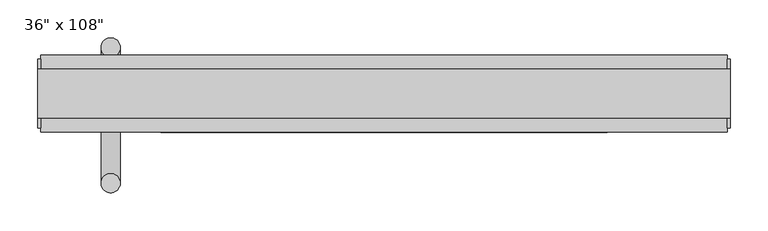
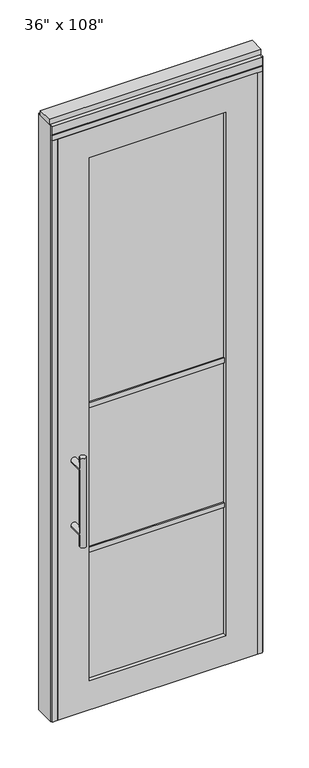
"""IFC4 building model written with IfcOpenShell, lengths in millimetres: furniture geometry."""

import ifcopenshell
import ifcopenshell.guid

model = None  # the IFC model being written
_history = None  # IfcOwnerHistory: only IFC2X3 demands one
_inside = {}  # id of a spatial element -> (the spatial element, [elements in it])
_under = {}  # id of a project, library or spatial element -> (it, [spatial elements below it])
_declared = {}  # id of a project -> (the project, [libraries it declares])
_typed = {}  # id of a type object -> (the type object, [elements of that type])
_made_of = {}  # id of a material, layer set ... -> (it, [elements and type objects made of it])


def new_model(schema):
    """Start an empty IFC model of exactly this schema.

    Asked for "IFC4X3", IfcOpenShell would pick the latest addendum, in which some entities
    have other attributes; the version numbers below select the first issue.
    IFC2X3 requires an IfcOwnerHistory on every rooted entity: one is made here for all.
    """
    global model, _history
    if schema == "IFC4X3":
        model = ifcopenshell.file(schema_version=(4, 3, 0, 0))
    else:
        model = ifcopenshell.file(schema=schema)
    _inside.clear()
    _under.clear()
    _declared.clear()
    _typed.clear()
    _made_of.clear()
    _history = None
    if model.schema == "IFC2X3":
        org = make("IfcOrganization", Name="unknown")
        user = make(
            "IfcPersonAndOrganization",
            ThePerson=make("IfcPerson", FamilyName="unknown"),
            TheOrganization=org,
        )
        app = make(
            "IfcApplication",
            ApplicationDeveloper=org,
            Version="unknown",
            ApplicationFullName="unknown",
            ApplicationIdentifier="unknown",
        )
        _history = make(
            "IfcOwnerHistory",
            OwningUser=user,
            OwningApplication=app,
            ChangeAction="ADDED",
            CreationDate=0,
        )
    return model


def make(cls, **values):
    """One entity of the class cls with the attributes given. An attribute that is None is left unset."""
    return model.create_entity(
        cls, **{name: value for name, value in values.items() if value is not None}
    )


def rooted(cls, **values):
    """An entity with a GlobalId (a new one), such as an element, a storey or a relation."""
    return make(cls, GlobalId=ifcopenshell.guid.new(), OwnerHistory=_history, **values)


def si_unit(unit_type, name, prefix=None):
    """IfcSIUnit, for example si_unit("LENGTHUNIT", "METRE", prefix="MILLI")."""
    return make("IfcSIUnit", UnitType=unit_type, Prefix=prefix, Name=name)


def assignment(units):
    """IfcUnitAssignment: the units of a project."""
    return None if units is None else make("IfcUnitAssignment", Units=units)


def point(xyz):
    """IfcCartesianPoint."""
    return None if xyz is None else make("IfcCartesianPoint", Coordinates=xyz)


def direction(xyz):
    """IfcDirection."""
    return None if xyz is None else make("IfcDirection", DirectionRatios=xyz)


def frame(location, z_axis=None, x_axis=None):
    """IfcAxis2Placement3D, a coordinate frame: its origin and axes. An axis left out is left unset."""
    return make(
        "IfcAxis2Placement3D",
        Location=point(location),
        Axis=direction(z_axis),
        RefDirection=direction(x_axis),
    )


def origin():
    """The frame at (0, 0, 0) with its axes left unset."""
    return frame((0.0, 0.0, 0.0))


def origin_with_axes():
    """The frame at (0, 0, 0) with the z axis (0, 0, 1) and the x axis (1, 0, 0) written out."""
    return frame((0.0, 0.0, 0.0), z_axis=(0.0, 0.0, 1.0), x_axis=(1.0, 0.0, 0.0))


def place(relative_to, where):
    """IfcLocalPlacement: puts the frame where relative to a parent placement (None: the world)."""
    return make(
        "IfcLocalPlacement", PlacementRelTo=relative_to, RelativePlacement=where
    )


def context(
    kind, dimensions, precision=None, world=None, true_north=None, identifier=None
):
    """IfcGeometricRepresentationContext, for example the 3D "Model" context."""
    return make(
        "IfcGeometricRepresentationContext",
        ContextIdentifier=identifier,
        ContextType=kind,
        CoordinateSpaceDimension=dimensions,
        Precision=precision,
        WorldCoordinateSystem=world,
        TrueNorth=true_north,
    )


def project(units=None, contexts=None):
    """IfcProject with its units and contexts."""
    return rooted(
        "IfcProject",
        Name="project",
        RepresentationContexts=contexts,
        UnitsInContext=assignment(units),
    )


def spatial(cls, under=None, at=None, **own):
    """A site, building, storey or space (cls), placed at a placement, below another one or the project."""
    s = rooted(cls, ObjectPlacement=at, **own)
    if under is not None:
        _under.setdefault(under.id(), (under, []))[1].append(s)
    return s


def polyline(points):
    """IfcPolyline through the points."""
    return make("IfcPolyline", Points=[point(p) for p in points])


def circle_curve(where, radius):
    """IfcCircle in the frame where."""
    return make("IfcCircle", Position=where, Radius=radius)


def ellipse_curve(where, semi_axis1, semi_axis2):
    """IfcEllipse in the frame where."""
    return make(
        "IfcEllipse", Position=where, SemiAxis1=semi_axis1, SemiAxis2=semi_axis2
    )


def outline(outer, holes=None, kind="AREA"):
    """IfcArbitraryClosedProfileDef: a profile drawn as a closed curve; with holes, ...WithVoids."""
    if holes is None:
        return make("IfcArbitraryClosedProfileDef", ProfileType=kind, OuterCurve=outer)
    return make(
        "IfcArbitraryProfileDefWithVoids",
        ProfileType=kind,
        OuterCurve=outer,
        InnerCurves=holes,
    )


def extrude(swept, where, along, depth):
    """IfcExtrudedAreaSolid: the profile swept, set in the frame where, extruded along a direction by depth."""
    return make(
        "IfcExtrudedAreaSolid",
        SweptArea=swept,
        Position=where,
        ExtrudedDirection=direction(along),
        Depth=depth,
    )


def shape(context_of_items, identifier, shape_type, items):
    """IfcShapeRepresentation: the items that make up one representation, for example the "Body"."""
    return make(
        "IfcShapeRepresentation",
        ContextOfItems=context_of_items,
        RepresentationIdentifier=identifier,
        RepresentationType=shape_type,
        Items=items,
    )


def source(mapping_origin, context_of_items, identifier, shape_type, items):
    """IfcRepresentationMap: a shape defined once, which mapped items show again and again."""
    return make(
        "IfcRepresentationMap",
        MappingOrigin=mapping_origin,
        MappedRepresentation=shape(context_of_items, identifier, shape_type, items),
    )


def transform(
    local_origin,
    x_axis=None,
    y_axis=None,
    z_axis=None,
    scale=None,
    scale2=None,
    scale3=None,
    uniform=True,
):
    """IfcCartesianTransformationOperator3D, or its non-uniform kind. x_axis, y_axis, z_axis: its Axis1, 2, 3."""
    if uniform:
        return make(
            "IfcCartesianTransformationOperator3D",
            Axis1=direction(x_axis),
            Axis2=direction(y_axis),
            LocalOrigin=point(local_origin),
            Scale=scale,
            Axis3=direction(z_axis),
        )
    return make(
        "IfcCartesianTransformationOperator3DnonUniform",
        Axis1=direction(x_axis),
        Axis2=direction(y_axis),
        LocalOrigin=point(local_origin),
        Scale=scale,
        Axis3=direction(z_axis),
        Scale2=scale2,
        Scale3=scale3,
    )


def mapped(mapping_source, mapping_target):
    """IfcMappedItem: shows the shape of a source again, moved by a transform."""
    return make(
        "IfcMappedItem", MappingSource=mapping_source, MappingTarget=mapping_target
    )


def made_of(thing, what):
    """Note that an element or type object is made of a material, layer set ...; save() writes the relation."""
    if what is not None:
        _made_of.setdefault(what.id(), (what, []))[1].append(thing)
    return thing


def element(
    cls,
    number,
    at=None,
    inside=None,
    cuts=None,
    type_object=None,
    material=None,
    context=None,
    identifier="Body",
    shape_type=None,
    held_by="IfcProductDefinitionShape",
    body=None,
    shapes=None,
    **own,
):
    """One element of the class cls, such as IfcWall. Its Tag is "e" and its number.

    at: its placement. inside: the storey or other place that contains it. cuts: it is an
    opening in that element (IfcRelVoidsElement). A single representation is given by context,
    identifier, shape_type and body (its items); several are given by shapes. held_by: the class
    of the entity that holds the representations. save() writes the other relations.
    """
    e = rooted(cls, Tag="e%d" % number, ObjectPlacement=at, **own)
    if body is not None:
        shapes = [shape(context, identifier, shape_type, body)]
    if shapes is not None:
        e.Representation = make(held_by, Representations=shapes)
    if inside is not None:
        _inside.setdefault(inside.id(), (inside, []))[1].append(e)
    if cuts is not None:
        rooted(
            "IfcRelVoidsElement", RelatingBuildingElement=cuts, RelatedOpeningElement=e
        )
    if type_object is not None:
        _typed.setdefault(type_object.id(), (type_object, []))[1].append(e)
    return made_of(e, material)


def aggregate(whole, parts):
    """IfcRelAggregates: a whole, such as a stair, and the parts it consists of."""
    return rooted("IfcRelAggregates", RelatingObject=whole, RelatedObjects=parts)


def save(model, path):
    """Write the relations noted so far, then the file.

    IfcRelAggregates (storeys below a building ...), IfcRelContainedInSpatialStructure (elements
    in a storey), IfcRelDefinesByType, IfcRelAssociatesMaterial and IfcRelDeclares: one each for
    every whole, place, type object, material and project.
    """
    for whole, parts in _under.values():
        aggregate(whole, parts)
    for where, things in _inside.values():
        rooted(
            "IfcRelContainedInSpatialStructure",
            RelatedElements=things,
            RelatingStructure=where,
        )
    for kind, things in _typed.values():
        rooted("IfcRelDefinesByType", RelatedObjects=things, RelatingType=kind)
    for what, things in _made_of.values():
        rooted("IfcRelAssociatesMaterial", RelatedObjects=things, RelatingMaterial=what)
    for by, libraries in _declared.values():
        rooted("IfcRelDeclares", RelatingContext=by, RelatedDefinitions=libraries)
    model.write(path)


def plane_surface(at):
    """IfcPlane: the flat surface through the origin of the frame at, square to its z axis."""
    return make("IfcPlane", Position=at)


def cylinder_surface(at, radius):
    """IfcCylindricalSurface: all points at the distance radius from the z axis of the frame at."""
    return make("IfcCylindricalSurface", Position=at, Radius=radius)


def advanced_brep(points, edges, surfaces, faces):
    """IfcAdvancedBrep: a solid bounded by faces that lie on surfaces and meet in shared edges.

    An edge is (start, end): straight between two places in points (the first is 0);
    or (start, end, curve); or (start, end, curve, False) where it runs against its curve.
    A face is (place in surfaces, loops), or (place, loops, False) where it looks against
    its surface's normal. A loop lists edges by number (the first is 1), with a minus sign
    where the edge is run from its end to its start. The first loop is the outer one.
    """
    corners = [point(p) for p in points]
    vertices = [make("IfcVertexPoint", VertexGeometry=c) for c in corners]
    made = []
    for start, end, *more in edges:
        made.append(
            make(
                "IfcEdgeCurve",
                EdgeStart=vertices[start],
                EdgeEnd=vertices[end],
                EdgeGeometry=more[0] if more else make("IfcPolyline", Points=[corners[start], corners[end]]),
                SameSense=more[1] if len(more) > 1 else True,
            )
        )
    hull = []
    for where, loops, *sense in faces:
        bounds = []
        for j, loop in enumerate(loops):
            ring = [make("IfcOrientedEdge", EdgeElement=made[abs(k) - 1], Orientation=k > 0) for k in loop]
            bounds.append(
                make(
                    "IfcFaceOuterBound" if j == 0 else "IfcFaceBound",
                    Bound=make("IfcEdgeLoop", EdgeList=ring),
                    Orientation=True,
                )
            )
        hull.append(make("IfcAdvancedFace", Bounds=bounds, FaceSurface=surfaces[where], SameSense=sense[0] if sense else True))
    return make("IfcAdvancedBrep", Outer=make("IfcClosedShell", CfsFaces=hull))


def furniture_f2ce9480(model_context):
    return source(origin(), model_context, "Body", "SolidModel", [
        advanced_brep(
        [(-433.7975229, 56.6962784, 1219.2), (-408.3975229, 56.6962784, 1219.2), (-433.7975229, 56.6962784, 812.8), (-408.3975229, 56.6962784, 812.8), (-408.3975229, 56.6962784, 1164.336), (-408.3975229, 56.6962784, 867.664), (-433.7975229, 56.6962784, 867.664), (-433.7975229, 56.6962784, 1164.336), (-433.7975229, -10.8677216, 1164.336), (-408.3975229, -10.8677216, 1164.336), (-433.7975229, -10.8677216, 867.664), (-408.3975229, -10.8677216, 867.664)],
        [
            (0, 1, circle_curve(frame((-421.0975229, 56.6962784, 1219.2), z_axis=(0.0, 0.0, 1.0), x_axis=(1.0, 0.0, 0.0)), 12.7)),
            (1, 0, circle_curve(frame((-421.0975229, 56.6962784, 1219.2), z_axis=(0.0, 0.0, 1.0), x_axis=(1.0, 0.0, 0.0)), 12.7)),
            (2, 3, circle_curve(frame((-421.0975229, 56.6962784, 812.8), z_axis=(0.0, 0.0, -1.0), x_axis=(1.0, 0.0, 0.0)), 12.7)),
            (3, 2, circle_curve(frame((-421.0975229, 56.6962784, 812.8), z_axis=(0.0, 0.0, -1.0), x_axis=(1.0, 0.0, 0.0)), 12.7)),
            (1, 4),
            (4, 5),
            (5, 3),
            (2, 6),
            (6, 7),
            (7, 0),
            (6, 5, ellipse_curve(frame((-421.0975229, 56.6962784, 867.664), z_axis=(0.0, 0.707106781186565, 0.70710678118653), x_axis=(0.0, -0.70710678118653, 0.707106781186565)), 17.9605122, 12.7)),
            (4, 7, ellipse_curve(frame((-421.0975229, 56.6962784, 1164.336), z_axis=(0.0, 0.70710678118653, -0.7071067811865649), x_axis=(0.0, 0.7071067811865648, 0.7071067811865301)), 17.9605122, 12.7)),
            (7, 4, ellipse_curve(frame((-421.0975229, 56.6962784, 1164.336), z_axis=(0.0, 0.707106781186565, 0.70710678118653), x_axis=(0.0, -0.70710678118653, 0.707106781186565)), 17.9605122, 12.7)),
            (5, 6, ellipse_curve(frame((-421.0975229, 56.6962784, 867.664), z_axis=(0.0, 0.70710678118653, -0.7071067811865649), x_axis=(0.0, 0.7071067811865648, 0.7071067811865301)), 17.9605122, 12.7)),
            (8, 9, circle_curve(frame((-421.0975229, -10.8677216, 1164.336), z_axis=(0.0, -1.0, 0.0), x_axis=(1.0, 0.0, 0.0)), 12.7)),
            (9, 8, circle_curve(frame((-421.0975229, -10.8677216, 1164.336), z_axis=(0.0, -1.0, 0.0), x_axis=(1.0, 0.0, 0.0)), 12.7)),
            (8, 7),
            (4, 9),
            (10, 11, circle_curve(frame((-421.0975229, -10.8677216, 867.664), z_axis=(0.0, -1.0, 0.0), x_axis=(1.0, 0.0, 0.0)), 12.7)),
            (11, 10, circle_curve(frame((-421.0975229, -10.8677216, 867.664), z_axis=(0.0, -1.0, 0.0), x_axis=(1.0, 0.0, 0.0)), 12.7)),
            (10, 6),
            (5, 11),
        ],
        [
            plane_surface(frame((-408.3975229, 56.6962784, 1219.2), z_axis=(0.0, 0.0, 1.0), x_axis=(0.0, -1.0, 0.0))),
            plane_surface(frame((-408.3975229, 56.6962784, 812.8), z_axis=(0.0, 0.0, -1.0), x_axis=(0.0, 1.0, 0.0))),
            cylinder_surface(frame((-421.0975229, 56.6962784, 812.8), z_axis=(0.0, 0.0, 1.0), x_axis=(1.0, 0.0, 0.0)), 12.7),
            plane_surface(frame((-408.3975229, -10.8677216, 1164.336), z_axis=(0.0, -1.0, 0.0), x_axis=(0.0, 0.0, -1.0))),
            cylinder_surface(frame((-421.0975229, -10.8677216, 1164.336), z_axis=(0.0, 1.0, 0.0), x_axis=(1.0, 0.0, 0.0)), 12.7),
            plane_surface(frame((-408.3975229, -10.8677216, 867.664), z_axis=(0.0, -1.0, 0.0), x_axis=(0.0, 0.0, -1.0))),
            cylinder_surface(frame((-421.0975229, -10.8677216, 867.664), z_axis=(0.0, 1.0, 0.0), x_axis=(1.0, 0.0, 0.0)), 12.7),
        ],
        [
            (0, [[1, 2]]),
            (1, [[3, 4]]),
            (2, [[5, 6, 7, -3, 8, 9, 10, -2]]),
            (2, [[-9, 11, -6, 12]]),
            (2, [[-10, 13, -5, -1]]),
            (2, [[-7, 14, -8, -4]]),
            (3, [[15, 16]]),
            (4, [[17, -12, 18, -15]]),
            (4, [[-18, -13, -17, -16]]),
            (5, [[19, 20]]),
            (6, [[21, -14, 22, -19]]),
            (6, [[-22, -11, -21, -20]]),
        ],
    ),
        advanced_brep(
        [(-433.7975229, -122.8817216, 1219.2), (-408.3975229, -122.8817216, 1219.2), (-433.7975229, -122.8817216, 812.8), (-408.3975229, -122.8817216, 812.8), (-433.7975229, -122.8817216, 1164.336), (-433.7975229, -122.8817216, 867.664), (-408.3975229, -122.8817216, 867.664), (-408.3975229, -122.8817216, 1164.336), (-433.7975229, -55.3177216, 1164.336), (-408.3975229, -55.3177216, 1164.336), (-433.7975229, -55.3177216, 867.664), (-408.3975229, -55.3177216, 867.664)],
        [
            (0, 1, circle_curve(frame((-421.0975229, -122.8817216, 1219.2), z_axis=(0.0, 0.0, 1.0), x_axis=(1.0, 0.0, 0.0)), 12.7)),
            (1, 0, circle_curve(frame((-421.0975229, -122.8817216, 1219.2), z_axis=(0.0, 0.0, 1.0), x_axis=(1.0, 0.0, 0.0)), 12.7)),
            (2, 3, circle_curve(frame((-421.0975229, -122.8817216, 812.8), z_axis=(0.0, 0.0, -1.0), x_axis=(1.0, 0.0, 0.0)), 12.7)),
            (3, 2, circle_curve(frame((-421.0975229, -122.8817216, 812.8), z_axis=(0.0, 0.0, -1.0), x_axis=(1.0, 0.0, 0.0)), 12.7)),
            (0, 4),
            (4, 5),
            (5, 2),
            (3, 6),
            (6, 7),
            (7, 1),
            (7, 4, ellipse_curve(frame((-421.0975229, -122.8817216, 1164.336), z_axis=(0.0, -0.707106781186565, 0.70710678118653), x_axis=(0.0, 0.70710678118653, 0.707106781186565)), 17.9605122, 12.7)),
            (5, 6, ellipse_curve(frame((-421.0975229, -122.8817216, 867.664), z_axis=(0.0, -0.70710678118653, -0.7071067811865649), x_axis=(0.0, -0.7071067811865648, 0.7071067811865301)), 17.9605122, 12.7)),
            (4, 7, ellipse_curve(frame((-421.0975229, -122.8817216, 1164.336), z_axis=(0.0, -0.70710678118653, -0.7071067811865649), x_axis=(0.0, -0.7071067811865648, 0.7071067811865301)), 17.9605122, 12.7)),
            (6, 5, ellipse_curve(frame((-421.0975229, -122.8817216, 867.664), z_axis=(0.0, -0.707106781186565, 0.70710678118653), x_axis=(0.0, 0.70710678118653, 0.707106781186565)), 17.9605122, 12.7)),
            (8, 9, circle_curve(frame((-421.0975229, -55.3177216, 1164.336), z_axis=(0.0, 1.0, 0.0), x_axis=(1.0, 0.0, 0.0)), 12.7)),
            (9, 8, circle_curve(frame((-421.0975229, -55.3177216, 1164.336), z_axis=(0.0, 1.0, 0.0), x_axis=(1.0, 0.0, 0.0)), 12.7)),
            (9, 7),
            (4, 8),
            (10, 11, circle_curve(frame((-421.0975229, -55.3177216, 867.664), z_axis=(0.0, 1.0, 0.0), x_axis=(1.0, 0.0, 0.0)), 12.7)),
            (11, 10, circle_curve(frame((-421.0975229, -55.3177216, 867.664), z_axis=(0.0, 1.0, 0.0), x_axis=(1.0, 0.0, 0.0)), 12.7)),
            (11, 6),
            (5, 10),
        ],
        [
            plane_surface(frame((-408.3975229, -122.8817216, 1219.2), z_axis=(0.0, 0.0, 1.0), x_axis=(0.0, 1.0, 0.0))),
            plane_surface(frame((-408.3975229, -122.8817216, 812.8), z_axis=(0.0, 0.0, -1.0), x_axis=(0.0, -1.0, 0.0))),
            cylinder_surface(frame((-421.0975229, -122.8817216, 812.8), z_axis=(0.0, 0.0, 1.0), x_axis=(1.0, 0.0, 0.0)), 12.7),
            plane_surface(frame((-408.3975229, -55.3177216, 1164.336), z_axis=(0.0, 1.0, 0.0), x_axis=(0.0, 0.0, -1.0))),
            cylinder_surface(frame((-421.0975229, -55.3177216, 1164.336), z_axis=(0.0, -1.0, 0.0), x_axis=(1.0, 0.0, 0.0)), 12.7),
            plane_surface(frame((-408.3975229, -55.3177216, 867.664), z_axis=(0.0, 1.0, 0.0), x_axis=(0.0, 0.0, -1.0))),
            cylinder_surface(frame((-421.0975229, -55.3177216, 867.664), z_axis=(0.0, -1.0, 0.0), x_axis=(1.0, 0.0, 0.0)), 12.7),
        ],
        [
            (0, [[1, 2]]),
            (1, [[3, 4]]),
            (2, [[-1, 5, 6, 7, -4, 8, 9, 10]]),
            (2, [[-2, -10, 11, -5]]),
            (2, [[-3, -7, 12, -8]]),
            (2, [[13, -9, 14, -6]]),
            (3, [[15, 16]]),
            (4, [[-16, 17, -13, 18]]),
            (4, [[-15, -18, -11, -17]]),
            (5, [[19, 20]]),
            (6, [[-20, 21, -12, 22]]),
            (6, [[-19, -22, -14, -21]]),
        ],
    ),
        extrude(outline(polyline([(-355.0575229, -44.2052216), (-355.0575229, -21.9802216), (234.9844771, -21.9802216), (234.9844771, -44.2052216), (-355.0575229, -44.2052216)])), frame((0.0, 0.0, 1371.6), z_axis=(0.0, 0.0, 1.0), x_axis=(1.0, 0.0, 0.0)), (0.0, 0.0, 1.0), 22.225),
        extrude(outline(polyline([(-355.0575229, -44.2052216), (-355.0575229, -21.9802216), (234.9844771, -21.9802216), (234.9844771, -44.2052216), (-355.0575229, -44.2052216)])), frame((0.0, 0.0, 711.2), z_axis=(0.0, 0.0, 1.0), x_axis=(1.0, 0.0, 0.0)), (0.0, 0.0, 1.0), 22.225),
        extrude(outline(polyline([(234.9844771, -38.1727216), (-355.0575229, -38.1727216), (-355.0575229, -28.0127216), (234.9844771, -28.0127216), (234.9844771, -38.1727216)])), frame((0.0, 0.0, 132.969), z_axis=(0.0, 0.0, 1.0), x_axis=(1.0, 0.0, 0.0)), (0.0, 0.0, 1.0), 2388.362),
        extrude(outline(polyline([(2654.3, 371.0014771), (2654.3, -491.0745229), (0.0, -491.0745229), (0.0, 371.0014771), (2654.3, 371.0014771)]), holes=[polyline([(2521.331, 234.9844771), (132.969, 234.9844771), (132.969, -355.0575229), (2521.331, -355.0575229), (2521.331, 234.9844771)])]), frame((0.0, -55.3177216, 0.0), z_axis=(0.0, 1.0, 0.0), x_axis=(0.0, 0.0, 1.0)), (0.0, 0.0, 1.0), 44.45),
        extrude(outline(polyline([(-513.2995229, -55.3177216), (-513.2995229, 46.2822784), (393.2264771, 46.2822784), (393.2264771, -55.3177216), (-513.2995229, -55.3177216)])), frame((0.0, 0.0, 2654.3), z_axis=(0.0, 0.0, 1.0), x_axis=(1.0, 0.0, 0.0)), (0.0, 0.0, 1.0), 22.225),
        extrude(outline(polyline([(397.1634771, -50.3647216), (393.2264771, -50.3647216), (393.2264771, 41.3292784), (397.1634771, 41.3292784), (397.1634771, -50.3647216)])), origin_with_axes(), (0.0, 0.0, 1.0), 2717.8),
        extrude(outline(polyline([(-517.2365229, -50.3647216), (-517.2365229, 41.3292784), (-513.2995229, 41.3292784), (-513.2995229, -50.3647216), (-517.2365229, -50.3647216)])), origin_with_axes(), (0.0, 0.0, 1.0), 2717.8),
        extrude(outline(polyline([(371.0014771, -55.3177216), (371.0014771, 46.2822784), (393.2264771, 46.2822784), (393.2264771, -55.3177216), (371.0014771, -55.3177216)])), origin_with_axes(), (0.0, 0.0, 1.0), 2654.3),
        extrude(outline(polyline([(-491.0745229, -55.3177216), (-513.2995229, -55.3177216), (-513.2995229, 46.2822784), (-491.0745229, 46.2822784), (-491.0745229, -55.3177216)])), origin_with_axes(), (0.0, 0.0, 1.0), 2654.3),
        extrude(outline(polyline([(-55.3177216, 2681.478), (-55.3177216, 2717.8), (46.2822784, 2717.8), (46.2822784, 2681.478), (41.3292784, 2681.478), (41.3292784, 2676.525), (-50.3647216, 2676.525), (-50.3647216, 2681.478), (-55.3177216, 2681.478)])), frame((-513.2995229, 0.0, 0.0), z_axis=(1.0, 0.0, 0.0), x_axis=(0.0, 1.0, 0.0)), (0.0, 0.0, 1.0), 906.526),
        extrude(outline(polyline([(-517.2365229, -37.0297216), (-517.2365229, 27.9942784), (397.1634771, 27.9942784), (397.1634771, -37.0297216), (-517.2365229, -37.0297216)])), frame((0.0, 0.0, 2717.8), z_axis=(0.0, 0.0, 1.0), x_axis=(1.0, 0.0, 0.0)), (0.0, 0.0, 1.0), 25.4),
    ])


if __name__ == "__main__":
    model = new_model("IFC4")
    model_context = context("Model", 3, world=origin())
    ifc_project = project(units=[si_unit("LENGTHUNIT", "METRE", prefix="MILLI")], contexts=[model_context])
    site = spatial("IfcSite", under=ifc_project)
    building = spatial("IfcBuilding", under=site)
    placement = place(None, origin())
    furniture_shape = furniture_f2ce9480(model_context)
    element("IfcFurniture", 1, ObjectType="36\" x 108\"", at=placement, inside=building, context=model_context, shape_type="MappedRepresentation", body=[
        mapped(furniture_shape, transform((0.0, 0.0, 0.0), x_axis=(1.0, 0.0, 0.0), y_axis=(0.0, 1.0, 0.0), z_axis=(0.0, 0.0, 1.0))),
    ])
    save(model, "model.ifc")
